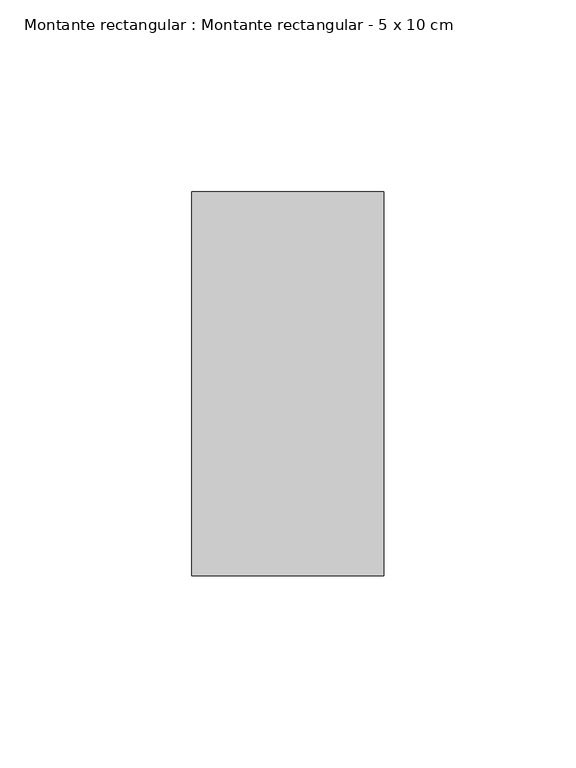
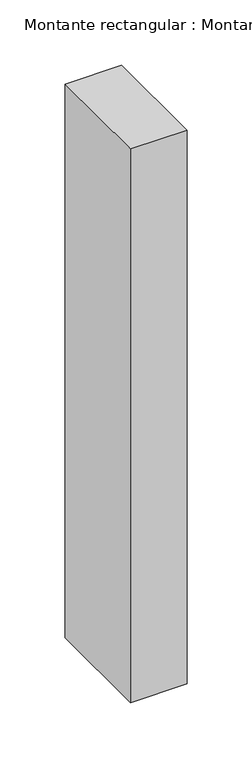
"""IFC4 building model written with IfcOpenShell, lengths in millimetres: member geometry, Montante rectangular : Montante rectangular - 5 x 10 cm."""

from ifc_helpers import new_model, si_unit, frame, origin, place, context, project, spatial, polyline, outline, extrude, source, transform, mapped, element, save


def montante_rectangular_montante_rectangular_5_x_10_cm_f8d88d63(model_context):
    return source(origin(), model_context, "Body", "SweptSolid", [
        extrude(outline(polyline([(25.0, 50.0), (25.0, -50.0), (-25.0, -50.0), (-25.0, 50.0), (25.0, 50.0)])), frame((0.0, 0.0, -517.6666667), z_axis=(0.0, 0.0, 1.0), x_axis=(1.0, 0.0, 0.0)), (0.0, 0.0, 1.0), 517.6666667),
    ])


if __name__ == "__main__":
    model = new_model("IFC4")
    model_context = context("Model", 3, world=origin())
    ifc_project = project(units=[si_unit("LENGTHUNIT", "METRE", prefix="MILLI")], contexts=[model_context])
    site = spatial("IfcSite", under=ifc_project)
    building = spatial("IfcBuilding", under=site)
    placement = place(None, origin())
    montante_rectangular_montante_rectangular_5_x_10_cm_shape = montante_rectangular_montante_rectangular_5_x_10_cm_f8d88d63(model_context)
    element("IfcMember", 1, ObjectType="Montante rectangular : Montante rectangular - 5 x 10 cm", at=placement, inside=building, context=model_context, shape_type="MappedRepresentation", body=[
        mapped(montante_rectangular_montante_rectangular_5_x_10_cm_shape, transform((0.0, 0.0, 0.0), x_axis=(1.0, 0.0, 0.0), y_axis=(0.0, 1.0, 0.0), z_axis=(0.0, 0.0, 1.0))),
    ])
    save(model, "model.ifc")
